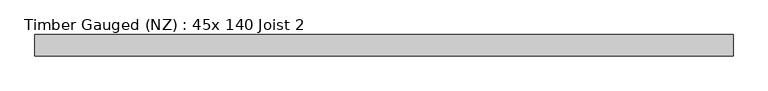
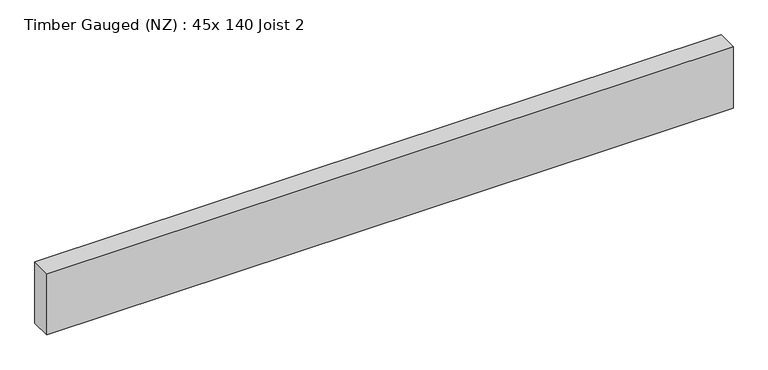
"""IFC4 building model written with IfcOpenShell, lengths in millimetres: beam geometry, Timber Gauged (NZ) : 45x 140 Joist 2."""

from ifc_helpers import new_model, si_unit, frame, origin, place, context, project, spatial, polyline, outline, extrude, source, transform, mapped, element, save


def timber_gauged_nz_45x_140_joist_2_0e723c95(model_context):
    return source(origin(), model_context, "Body", "SweptSolid", [
        extrude(outline(polyline([(682.5820781, 22.5), (682.5820781, -22.5), (-797.5246947, -22.5), (-797.5246947, 22.5), (682.5820781, 22.5)])), frame((0.0, 0.0, -70.0), z_axis=(0.0, 0.0, 1.0), x_axis=(1.0, 0.0, 0.0)), (0.0, 0.0, 1.0), 140.0),
    ])


if __name__ == "__main__":
    model = new_model("IFC4")
    model_context = context("Model", 3, world=origin())
    ifc_project = project(units=[si_unit("LENGTHUNIT", "METRE", prefix="MILLI")], contexts=[model_context])
    site = spatial("IfcSite", under=ifc_project)
    building = spatial("IfcBuilding", under=site)
    placement = place(None, origin())
    timber_gauged_nz_45x_140_joist_2_shape = timber_gauged_nz_45x_140_joist_2_0e723c95(model_context)
    element("IfcBeam", 1, ObjectType="Timber Gauged (NZ) : 45x 140 Joist 2", at=placement, inside=building, context=model_context, shape_type="MappedRepresentation", body=[
        mapped(timber_gauged_nz_45x_140_joist_2_shape, transform((0.0, 0.0, 0.0), x_axis=(1.0, 0.0, 0.0), y_axis=(0.0, 1.0, 0.0), z_axis=(0.0, 0.0, 1.0))),
    ])
    save(model, "model.ifc")
